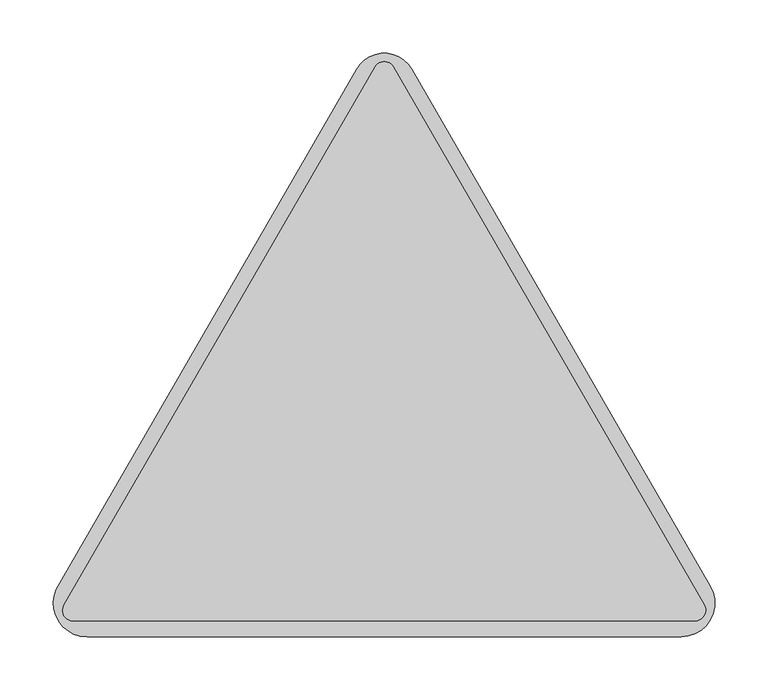
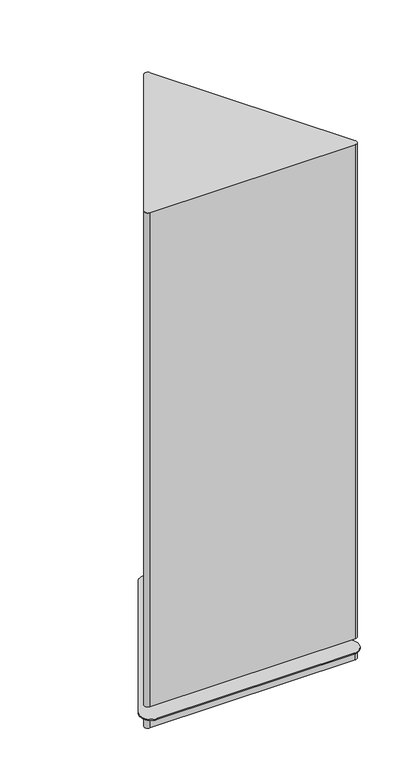
"""IFC4 building model written with IfcOpenShell, lengths in millimetres: furniture geometry."""

from ifc_helpers import new_model, si_unit, point, frame, frame_2d, origin, place, context, project, spatial, polyline, circle_curve, trimmed, segment, composite_curve, outline, extrude, source, transform, mapped, element, save
from ifc_brep_helpers import plane_surface, cylinder_surface, advanced_brep


def furniture_bca39c23(model_context):
    return source(origin(), model_context, "Body", "SolidModel", [
        extrude(outline(composite_curve([segment(polyline([(519.7661537, -201.121178), (812.0413924, 305.1144552)]), True, "CONTINUOUS"), segment(trimmed(circle_curve(frame_2d((820.6763626, 300.1290536)), 9.9708044), [point((812.0413924, 305.1144552))], [point((829.3113326, 305.1144555))], False, "CARTESIAN"), True, "CONTINUOUS"), segment(polyline([(829.3113326, 305.1144555), (1121.3113421, -200.6444313)]), True, "CONTINUOUS"), segment(trimmed(circle_curve(frame_2d((1112.5421985, -205.7072984)), 10.1257347), [point((1121.3113421, -200.6444313))], [point((1112.5421985, -215.8330331))], False, "CARTESIAN"), True, "CONTINUOUS"), segment(polyline([(1112.5421985, -215.8330331), (528.2600477, -215.8330331)]), True, "CONTINUOUS"), segment(trimmed(circle_curve(frame_2d((528.2600477, -206.0251294)), 9.8079037), [point((528.2600477, -215.8330331))], [point((519.7661537, -201.121178))], False, "CARTESIAN"), True, "CONTINUOUS")], self_intersect=False)), frame((0.0, 0.0, 64.0000043), z_axis=(0.0, 0.0, 1.0), x_axis=(1.0, 0.0, 0.0)), (0.0, 0.0, 1.0), 1485.8960894),
        advanced_brep(
        [(846.6202308, 303.1346939, 33.0000002), (794.7326652, 303.1347025, 33.0000002), (512.4205907, -185.8439671, 33.0000002), (541.4357547, -230.4851563, 33.0000002), (1099.7130718, -230.4851563, 33.0000002), (1127.2093811, -182.8601609, 33.0000002), (830.6876493, 168.1228485, 33.0000002), (810.4611773, 168.1228485, 33.0000002), (653.1016849, -139.8296569, 33.0000002), (632.875213, -139.8296569, 33.0000002), (1008.2736136, -139.8296569, 33.0000002), (988.0471416, -139.8296569, 33.0000002), (846.6202308, 303.1346939, 30.0000016), (1127.2093811, -182.8601609, 30.0000016), (1099.7130718, -230.4851563, 30.0000016), (541.4357547, -230.4851563, 30.0000016), (512.4205907, -185.8439671, 30.0000016), (794.7326652, 303.1347025, 30.0000016), (1112.5877406, -215.8330331, 30.0000016), (1121.3341131, -200.683872, 30.0000016), (829.4933363, 304.7992158, 30.0000016), (812.0535444, 304.8017078, 30.0000016), (519.0283677, -202.3980279, 30.0000016), (528.5610859, -215.8330331, 30.0000016), (1112.5877406, -215.8330331, 0.0), (528.5610859, -215.8330331, 0.0), (519.0283677, -202.3980279, 0.0), (812.0535444, 304.8017078, 0.0), (829.4933363, 304.7992158, 0.0), (1121.3341131, -200.683872, 0.0), (810.4611773, 168.1228485, 64.0000043), (830.6876493, 168.1228485, 64.0000043), (632.875213, -139.8296569, 64.0000043), (653.1016849, -139.8296569, 64.0000043), (988.0471416, -139.8296569, 64.0000043), (1008.2736136, -139.8296569, 64.0000043)],
        [
            (0, 1, circle_curve(frame((820.6764455, 288.1560483, 33.0000002), z_axis=(0.0, 0.0, 1.0), x_axis=(1.0, 0.0, 0.0)), 29.9572999)),
            (1, 2),
            (2, 3, circle_curve(frame((541.4357547, -198.7351563, 33.0000002), z_axis=(0.0, 0.0, 1.0), x_axis=(1.0, 0.0, 0.0)), 31.75)),
            (3, 4),
            (4, 5, circle_curve(frame((1099.7130718, -198.7351563, 33.0000002), z_axis=(0.0, 0.0, 1.0), x_axis=(1.0, 0.0, 0.0)), 31.75)),
            (5, 0),
            (6, 7, circle_curve(frame((820.5744133, 168.1228485, 33.0000002), z_axis=(0.0, 0.0, -1.0), x_axis=(1.0, 0.0, 0.0)), 10.113236)),
            (7, 6, circle_curve(frame((820.5744133, 168.1228485, 33.0000002), z_axis=(0.0, 0.0, -1.0), x_axis=(1.0, 0.0, 0.0)), 10.113236)),
            (8, 9, circle_curve(frame((642.988449, -139.8296569, 33.0000002), z_axis=(0.0, 0.0, -1.0), x_axis=(1.0, 0.0, 0.0)), 10.113236)),
            (9, 8, circle_curve(frame((642.988449, -139.8296569, 33.0000002), z_axis=(0.0, 0.0, -1.0), x_axis=(1.0, 0.0, 0.0)), 10.113236)),
            (10, 11, circle_curve(frame((998.1603776, -139.8296569, 33.0000002), z_axis=(0.0, 0.0, -1.0), x_axis=(1.0, 0.0, 0.0)), 10.113236)),
            (11, 10, circle_curve(frame((998.1603776, -139.8296569, 33.0000002), z_axis=(0.0, 0.0, -1.0), x_axis=(1.0, 0.0, 0.0)), 10.113236)),
            (12, 13),
            (13, 14, circle_curve(frame((1099.7130718, -198.7351563, 30.0000016), z_axis=(0.0, 0.0, -1.0), x_axis=(1.0, 0.0, 0.0)), 31.75)),
            (14, 15),
            (15, 16, circle_curve(frame((541.4357547, -198.7351563, 30.0000016), z_axis=(0.0, 0.0, -1.0), x_axis=(1.0, 0.0, 0.0)), 31.75)),
            (16, 17),
            (17, 12, circle_curve(frame((820.6764455, 288.1560483, 30.0000016), z_axis=(0.0, 0.0, -1.0), x_axis=(1.0, 0.0, 0.0)), 29.9572999)),
            (18, 19, circle_curve(frame((1112.5877406, -205.7335922, 30.0000016), z_axis=(0.0, 0.0, 1.0), x_axis=(1.0, 0.0, 0.0)), 10.0994409)),
            (19, 20),
            (20, 21, circle_curve(frame((820.7727207, 299.7643665, 30.0000016), z_axis=(0.0, 0.0, 1.0), x_axis=(1.0, 0.0, 0.0)), 10.0696993)),
            (21, 22),
            (22, 23, circle_curve(frame((528.5610859, -205.7335922, 30.0000016), z_axis=(0.0, 0.0, 1.0), x_axis=(1.0, 0.0, 0.0)), 10.0994409)),
            (23, 18),
            (24, 25),
            (25, 26, circle_curve(frame((528.5610859, -205.7335922, 0.0), z_axis=(0.0, 0.0, -1.0), x_axis=(1.0, 0.0, 0.0)), 10.0994409)),
            (26, 27),
            (27, 28, circle_curve(frame((820.7727207, 299.7643665, 0.0), z_axis=(0.0, 0.0, -1.0), x_axis=(1.0, 0.0, 0.0)), 10.0696993)),
            (28, 29),
            (29, 24, circle_curve(frame((1112.5877406, -205.7335922, 0.0), z_axis=(0.0, 0.0, -1.0), x_axis=(1.0, 0.0, 0.0)), 10.0994409)),
            (30, 31, circle_curve(frame((820.5744133, 168.1228485, 64.0000043), z_axis=(0.0, 0.0, 1.0), x_axis=(1.0, 0.0, 0.0)), 10.113236)),
            (31, 30, circle_curve(frame((820.5744133, 168.1228485, 64.0000043), z_axis=(0.0, 0.0, 1.0), x_axis=(1.0, 0.0, 0.0)), 10.113236)),
            (32, 33, circle_curve(frame((642.988449, -139.8296569, 64.0000043), z_axis=(0.0, 0.0, 1.0), x_axis=(1.0, 0.0, 0.0)), 10.113236)),
            (33, 32, circle_curve(frame((642.988449, -139.8296569, 64.0000043), z_axis=(0.0, 0.0, 1.0), x_axis=(1.0, 0.0, 0.0)), 10.113236)),
            (34, 35, circle_curve(frame((998.1603776, -139.8296569, 64.0000043), z_axis=(0.0, 0.0, 1.0), x_axis=(1.0, 0.0, 0.0)), 10.113236)),
            (35, 34, circle_curve(frame((998.1603776, -139.8296569, 64.0000043), z_axis=(0.0, 0.0, 1.0), x_axis=(1.0, 0.0, 0.0)), 10.113236)),
            (29, 19),
            (18, 24),
            (28, 20),
            (27, 21),
            (26, 22),
            (25, 23),
            (0, 12),
            (17, 1),
            (16, 2),
            (15, 3),
            (14, 4),
            (13, 5),
            (30, 7),
            (6, 31),
            (32, 9),
            (8, 33),
            (34, 11),
            (10, 35),
        ],
        [
            plane_surface(frame((850.6337454, 288.1560483, 33.0000002), z_axis=(0.0, 0.0, 1.0), x_axis=(0.0, 1.0, 0.0))),
            plane_surface(frame((850.6337454, 288.1560483, 30.0000016), z_axis=(0.0, 0.0, -1.0), x_axis=(0.0, -1.0, 0.0))),
            plane_surface(frame((1122.6871815, -205.7335922, 0.0), z_axis=(0.0, 0.0, -1.0), x_axis=(0.0, -1.0, 0.0))),
            plane_surface(frame((830.6876493, 168.1228485, 64.0000043), z_axis=(0.0, 0.0, 1.0), x_axis=(0.0, 1.0, 0.0))),
            cylinder_surface(frame((1112.5877406, -205.7335922, 0.0), z_axis=(0.0, 0.0, 1.0), x_axis=(1.0, 0.0, 0.0)), 10.0994409),
            plane_surface(frame((1121.3341131, -200.683872, 30.0000016), z_axis=(0.8660254185772069, 0.4999999743781729, 0.0), x_axis=(0.0, 0.0, -1.0))),
            cylinder_surface(frame((820.7727207, 299.7643665, 0.0), z_axis=(0.0, 0.0, 1.0), x_axis=(1.0, 0.0, 0.0)), 10.0696993),
            plane_surface(frame((812.0535444, 304.8017078, 30.0000016), z_axis=(-0.8658824950397653, 0.5002474435553979, 0.0), x_axis=(0.0, 0.0, -1.0))),
            cylinder_surface(frame((528.5610859, -205.7335922, 0.0), z_axis=(0.0, 0.0, 1.0), x_axis=(1.0, 0.0, 0.0)), 10.0994409),
            plane_surface(frame((528.5610859, -215.8330331, 30.0000016), z_axis=(0.0, -1.0, 0.0), x_axis=(0.0, 0.0, -1.0))),
            cylinder_surface(frame((820.6764455, 288.1560483, 30.0000016), z_axis=(0.0, 0.0, 1.0), x_axis=(1.0, 0.0, 0.0)), 29.9572999),
            plane_surface(frame((794.7326652, 303.1347025, 33.0000002), z_axis=(-0.8660253210160144, 0.5000001433590889, 0.0), x_axis=(0.0, 0.0, -1.0))),
            cylinder_surface(frame((541.4357547, -198.7351563, 30.0000016), z_axis=(0.0, 0.0, 1.0), x_axis=(1.0, 0.0, 0.0)), 31.75),
            plane_surface(frame((541.4357547, -230.4851563, 33.0000002), z_axis=(0.0, -1.0, 0.0), x_axis=(0.0, 0.0, -1.0))),
            cylinder_surface(frame((1099.7130718, -198.7351563, 30.0000016), z_axis=(0.0, 0.0, 1.0), x_axis=(1.0, 0.0, 0.0)), 31.75),
            plane_surface(frame((1127.2093811, -182.8601609, 33.0000002), z_axis=(0.8660254885772087, 0.49999985313458534, 0.0), x_axis=(0.0, 0.0, -1.0))),
            cylinder_surface(frame((820.5744133, 168.1228485, 33.0000002), z_axis=(0.0, 0.0, 1.0), x_axis=(1.0, 0.0, 0.0)), 10.113236),
            cylinder_surface(frame((642.988449, -139.8296569, 0.0), z_axis=(0.0, 0.0, 1.0), x_axis=(1.0, 0.0, 0.0)), 10.113236),
            cylinder_surface(frame((998.1603776, -139.8296569, 0.0), z_axis=(0.0, 0.0, 1.0), x_axis=(1.0, 0.0, 0.0)), 10.113236),
        ],
        [
            (0, [[1, 2, 3, 4, 5, 6], [7, 8], [9, 10], [11, 12]]),
            (1, [[13, 14, 15, 16, 17, 18], [19, 20, 21, 22, 23, 24]]),
            (2, [[25, 26, 27, 28, 29, 30]]),
            (3, [[31, 32]]),
            (3, [[33, 34]]),
            (3, [[35, 36]]),
            (4, [[-30, 37, -19, 38]]),
            (5, [[-29, 39, -20, -37]]),
            (6, [[-28, 40, -21, -39]]),
            (7, [[-27, 41, -22, -40]]),
            (8, [[-26, 42, -23, -41]]),
            (9, [[-25, -38, -24, -42]]),
            (10, [[-1, 43, -18, 44]]),
            (11, [[-2, -44, -17, 45]]),
            (12, [[-3, -45, -16, 46]]),
            (13, [[-4, -46, -15, 47]]),
            (14, [[-5, -47, -14, 48]]),
            (15, [[-6, -48, -13, -43]]),
            (16, [[-31, 49, -7, 50]]),
            (16, [[-32, -50, -8, -49]]),
            (17, [[-33, 51, -9, 52]]),
            (17, [[-34, -52, -10, -51]]),
            (18, [[-35, 53, -11, 54]]),
            (18, [[-36, -54, -12, -53]]),
        ],
    ),
    ])


if __name__ == "__main__":
    model = new_model("IFC4")
    model_context = context("Model", 3, world=origin())
    ifc_project = project(units=[si_unit("LENGTHUNIT", "METRE", prefix="MILLI")], contexts=[model_context])
    site = spatial("IfcSite", under=ifc_project)
    building = spatial("IfcBuilding", under=site)
    placement = place(None, origin())
    furniture_shape = furniture_bca39c23(model_context)
    element("IfcFurniture", 1, at=placement, inside=building, context=model_context, shape_type="MappedRepresentation", body=[
        mapped(furniture_shape, transform((0.0, 0.0, 0.0), x_axis=(1.0, 0.0, 0.0), y_axis=(0.0, 1.0, 0.0), z_axis=(0.0, 0.0, 1.0))),
    ])
    save(model, "model.ifc")
